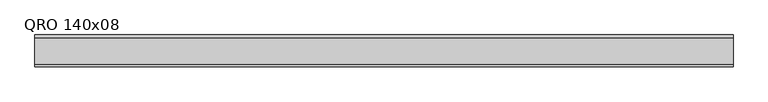
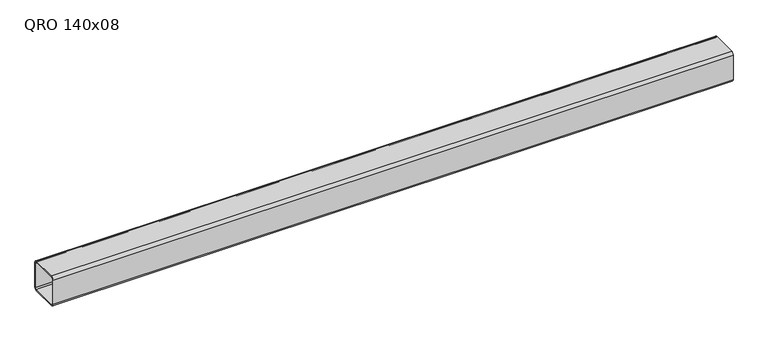
"""IFC4 building model written with IfcOpenShell, lengths in millimetres: beam geometry, QRO 140x08."""

from ifc_helpers import new_model, si_unit, point, frame, frame_2d, origin, place, context, project, spatial, polyline, circle_curve, trimmed, segment, composite_curve, outline, extrude, source, transform, mapped, element, save


def qro_140x08_1f338733(model_context):
    return source(origin(), model_context, "Body", "SweptSolid", [
        extrude(outline(composite_curve([segment(polyline([(70.0, 58.0), (70.0, -58.0)]), True, "CONTINUOUS"), segment(trimmed(circle_curve(frame_2d((58.0, -58.0)), 12.0), [point((70.0, -58.0))], [point((58.0, -70.0))], False, "CARTESIAN"), True, "CONTINUOUS"), segment(polyline([(58.0, -70.0), (-58.0, -70.0)]), True, "CONTINUOUS"), segment(trimmed(circle_curve(frame_2d((-58.0, -58.0)), 12.0), [point((-58.0, -70.0))], [point((-70.0, -58.0))], False, "CARTESIAN"), True, "CONTINUOUS"), segment(polyline([(-70.0, -58.0), (-70.0, 58.0)]), True, "CONTINUOUS"), segment(trimmed(circle_curve(frame_2d((-58.0, 58.0)), 12.0), [point((-70.0, 58.0))], [point((-58.0, 70.0))], False, "CARTESIAN"), True, "CONTINUOUS"), segment(polyline([(-58.0, 70.0), (58.0, 70.0)]), True, "CONTINUOUS"), segment(trimmed(circle_curve(frame_2d((58.0, 58.0)), 12.0), [point((58.0, 70.0))], [point((70.0, 58.0))], False, "CARTESIAN"), True, "CONTINUOUS")], self_intersect=False), holes=[composite_curve([segment(trimmed(circle_curve(frame_2d((-58.0, 58.0)), 6.0), [point((-58.0, 64.0))], [point((-64.0, 58.0))], True, "CARTESIAN"), True, "CONTINUOUS"), segment(polyline([(-64.0, 58.0), (-64.0, -58.0)]), True, "CONTINUOUS"), segment(trimmed(circle_curve(frame_2d((-58.0, -58.0)), 6.0), [point((-64.0, -58.0))], [point((-58.0, -64.0))], True, "CARTESIAN"), True, "CONTINUOUS"), segment(polyline([(-58.0, -64.0), (58.0, -64.0)]), True, "CONTINUOUS"), segment(trimmed(circle_curve(frame_2d((58.0, -58.0)), 6.0), [point((58.0, -64.0))], [point((64.0, -58.0))], True, "CARTESIAN"), True, "CONTINUOUS"), segment(polyline([(64.0, -58.0), (64.0, 58.0)]), True, "CONTINUOUS"), segment(trimmed(circle_curve(frame_2d((58.0, 58.0)), 6.0), [point((64.0, 58.0))], [point((58.0, 64.0))], True, "CARTESIAN"), True, "CONTINUOUS"), segment(polyline([(58.0, 64.0), (-58.0, 64.0)]), True, "CONTINUOUS")], self_intersect=False)]), frame((-1663.5557558, 0.0, 0.0), z_axis=(1.0, 0.0, 0.0), x_axis=(0.0, 1.0, 0.0)), (0.0, 0.0, 1.0), 3063.9623799),
    ])


if __name__ == "__main__":
    model = new_model("IFC4")
    model_context = context("Model", 3, world=origin())
    ifc_project = project(units=[si_unit("LENGTHUNIT", "METRE", prefix="MILLI")], contexts=[model_context])
    site = spatial("IfcSite", under=ifc_project)
    building = spatial("IfcBuilding", under=site)
    placement = place(None, origin())
    qro_140x08_shape = qro_140x08_1f338733(model_context)
    element("IfcBeam", 1, ObjectType="QRO 140x08", at=placement, inside=building, context=model_context, shape_type="MappedRepresentation", body=[
        mapped(qro_140x08_shape, transform((0.0, 0.0, 0.0), x_axis=(1.0, 0.0, 0.0), y_axis=(0.0, 1.0, 0.0), z_axis=(0.0, 0.0, 1.0))),
    ])
    save(model, "model.ifc")
